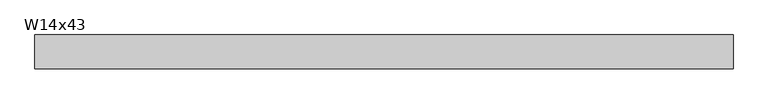
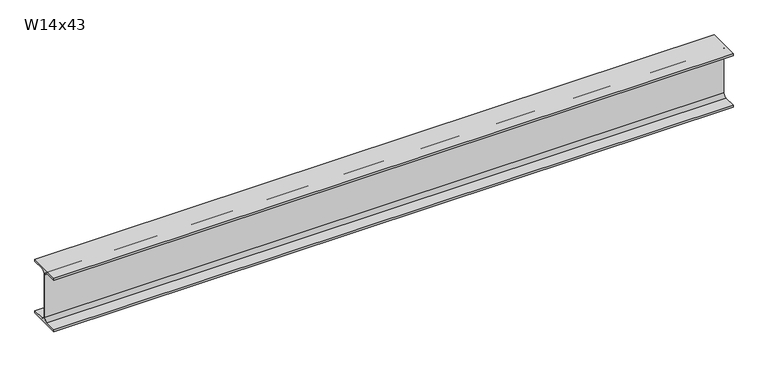
"""IFC4 building model written with IfcOpenShell, lengths in millimetres: beam geometry, W14x43."""

from ifc_helpers import new_model, si_unit, point, frame, frame_2d, origin, place, context, project, spatial, polyline, circle_curve, trimmed, segment, composite_curve, outline, extrude, source, transform, mapped, element, save


def w14x43_4a6ea420(model_context):
    return source(origin(), model_context, "Body", "SweptSolid", [
        extrude(outline(composite_curve([segment(polyline([(101.6, -160.528), (101.6, -173.99), (-101.6, -173.99), (-101.6, -160.528), (-25.3365, -160.528)]), True, "CONTINUOUS"), segment(trimmed(circle_curve(frame_2d((-25.3365, -139.065)), 21.463), [point((-25.3365, -160.528))], [point((-3.8735, -139.065))], True, "CARTESIAN"), True, "CONTINUOUS"), segment(polyline([(-3.8735, -139.065), (-3.8735, 139.065)]), True, "CONTINUOUS"), segment(trimmed(circle_curve(frame_2d((-25.3365, 139.065)), 21.463), [point((-3.8735, 139.065))], [point((-25.3365, 160.528))], True, "CARTESIAN"), True, "CONTINUOUS"), segment(polyline([(-25.3365, 160.528), (-101.6, 160.528), (-101.6, 173.99), (101.6, 173.99), (101.6, 160.528), (25.3365, 160.528)]), True, "CONTINUOUS"), segment(trimmed(circle_curve(frame_2d((25.3365, 139.065)), 21.463), [point((25.3365, 160.528))], [point((3.8735, 139.065))], True, "CARTESIAN"), True, "CONTINUOUS"), segment(polyline([(3.8735, 139.065), (3.8735, -139.065)]), True, "CONTINUOUS"), segment(trimmed(circle_curve(frame_2d((25.3365, -139.065)), 21.463), [point((3.8735, -139.065))], [point((25.3365, -160.528))], True, "CARTESIAN"), True, "CONTINUOUS"), segment(polyline([(25.3365, -160.528), (101.6, -160.528)]), True, "CONTINUOUS")], self_intersect=False)), frame((-1991.0237681, 0.0, 0.0), z_axis=(1.0, 0.0, 0.0), x_axis=(0.0, 1.0, 0.0)), (0.0, 0.0, 1.0), 4175.0875362),
    ])


if __name__ == "__main__":
    model = new_model("IFC4")
    model_context = context("Model", 3, world=origin())
    ifc_project = project(units=[si_unit("LENGTHUNIT", "METRE", prefix="MILLI")], contexts=[model_context])
    site = spatial("IfcSite", under=ifc_project)
    building = spatial("IfcBuilding", under=site)
    placement = place(None, origin())
    w14x43_shape = w14x43_4a6ea420(model_context)
    element("IfcBeam", 1, ObjectType="W14x43", at=placement, inside=building, context=model_context, shape_type="MappedRepresentation", body=[
        mapped(w14x43_shape, transform((0.0, 0.0, 0.0), x_axis=(1.0, 0.0, 0.0), y_axis=(0.0, 1.0, 0.0), z_axis=(0.0, 0.0, 1.0))),
    ])
    save(model, "model.ifc")
